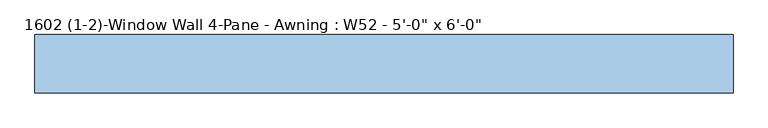
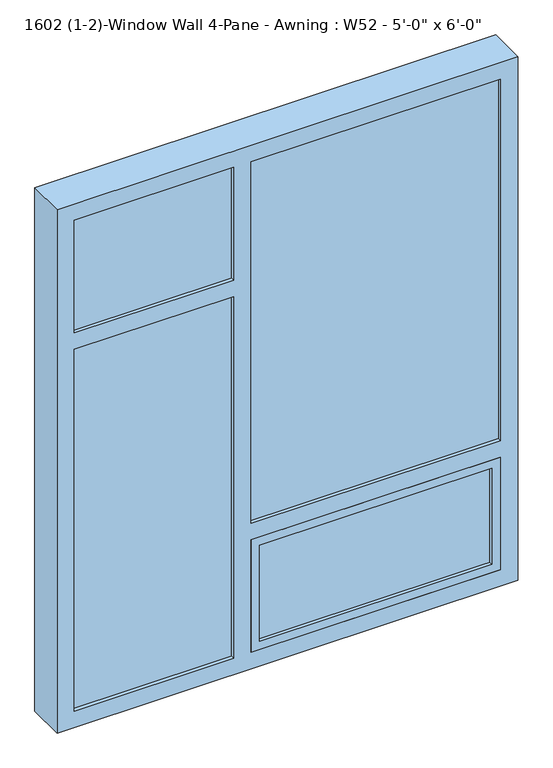
"""IFC4 building model written with IfcOpenShell, lengths in millimetres: window geometry."""

from ifc_helpers import new_model, si_unit, frame, origin, place, context, project, spatial, polyline, outline, extrude, source, transform, mapped, element, save


def window_8911510d(model_context):
    return source(origin(), model_context, "Body", "SweptSolid", [
        extrude(outline(polyline([(933.45, -69.85), (933.45, -88.9), (-476.25, -88.9), (-476.25, -69.85), (933.45, -69.85)])), frame((0.0, 0.0, 463.55), z_axis=(0.0, 0.0, 1.0), x_axis=(1.0, 0.0, 0.0)), (0.0, 0.0, 1.0), 1771.65),
        extrude(outline(polyline([(2292.35, 990.6), (2292.35, -533.4), (463.55, -533.4), (463.55, 990.6), (2292.35, 990.6)]), holes=[polyline([(1784.35, 50.8), (520.7, 50.8), (520.7, -476.25), (1784.35, -476.25), (1784.35, 50.8)]), polyline([(914.4, 933.45), (520.7, 933.45), (520.7, 107.95), (914.4, 107.95), (914.4, 933.45)]), polyline([(2235.2, -476.25), (2235.2, 50.8), (1841.5, 50.8), (1841.5, -476.25), (2235.2, -476.25)]), polyline([(2235.2, 107.95), (2235.2, 933.45), (971.55, 933.45), (971.55, 107.95), (2235.2, 107.95)])]), frame((0.0, -101.6, 0.0), z_axis=(0.0, 1.0, 0.0), x_axis=(0.0, 0.0, 1.0)), (0.0, 0.0, 1.0), 127.0),
        extrude(outline(polyline([(914.4, 107.95), (520.7, 107.95), (520.7, 933.45), (914.4, 933.45), (914.4, 107.95)]), holes=[polyline([(549.275, 136.525), (885.825, 136.525), (885.825, 904.875), (549.275, 904.875), (549.275, 136.525)])]), frame((0.0, -101.6, 0.0), z_axis=(0.0, 1.0, 0.0), x_axis=(0.0, 0.0, 1.0)), (0.0, 0.0, 1.0), 57.15),
    ])


if __name__ == "__main__":
    model = new_model("IFC4")
    model_context = context("Model", 3, world=origin())
    ifc_project = project(units=[si_unit("LENGTHUNIT", "METRE", prefix="MILLI")], contexts=[model_context])
    site = spatial("IfcSite", under=ifc_project)
    building = spatial("IfcBuilding", under=site)
    placement = place(None, origin())
    window_shape = window_8911510d(model_context)
    element("IfcWindow", 1, ObjectType="1602 (1-2)-Window Wall 4-Pane - Awning : W52 - 5'-0\" x 6'-0\"", at=placement, inside=building, context=model_context, shape_type="MappedRepresentation", body=[
        mapped(window_shape, transform((0.0, 0.0, 0.0), x_axis=(1.0, 0.0, 0.0), y_axis=(0.0, 1.0, 0.0), z_axis=(0.0, 0.0, 1.0))),
    ])
    save(model, "model.ifc")
